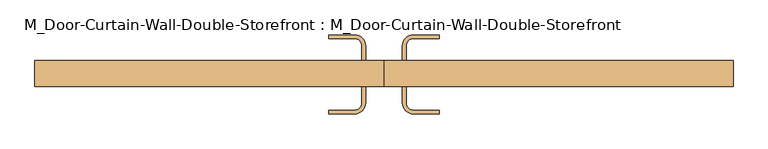
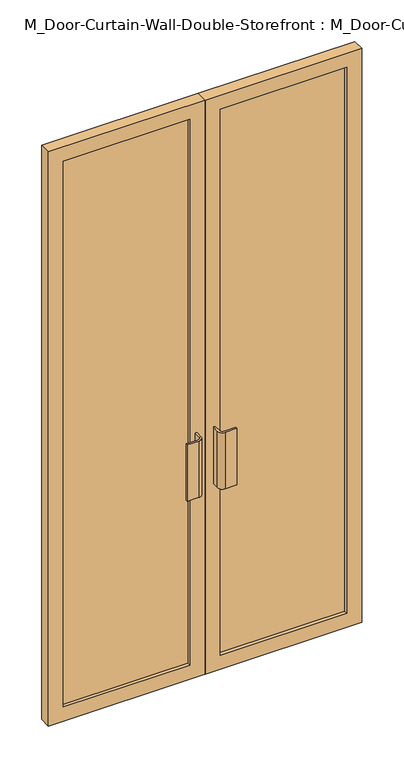
"""IFC4 building model written with IfcOpenShell, lengths in millimetres: door geometry, M_Door-Curtain-Wall-Double-Storefront : M_Door-Curtain-Wall-Double-Storefront."""

from ifc_helpers import new_model, si_unit, point, frame, frame_2d, origin, place, context, project, spatial, polyline, circle_curve, trimmed, segment, composite_curve, outline, extrude, source, transform, mapped, element, save


def m_door_curtain_wall_double_storefront_m_door_curtain_wall_34c1f5e0(model_context):
    return source(origin(), model_context, "Body", "SweptSolid", [
        extrude(outline(polyline([(2325.0, 0.8168501), (0.0, 0.8168501), (0.0, 599.9999999), (2325.0, 599.9999999), (2325.0, 0.8168501)]), holes=[polyline([(2267.85, 57.9668501), (2267.85, 542.8499999), (57.15, 542.8499999), (57.15, 57.9668501), (2267.85, 57.9668501)])]), frame((0.0, 15.55, 0.0), z_axis=(0.0, 1.0, 0.0), x_axis=(0.0, 0.0, 1.0)), (0.0, 0.0, 1.0), 44.45),
        extrude(outline(polyline([(2325.0, -0.7706499), (2325.0, -599.9999999), (0.0, -599.9999999), (0.0, -0.7706499), (2325.0, -0.7706499)]), holes=[polyline([(2267.85, -542.8499999), (2267.85, -57.9206499), (57.15, -57.9206499), (57.15, -542.8499999), (2267.85, -542.8499999)])]), frame((0.0, 15.55, 0.0), z_axis=(0.0, 1.0, 0.0), x_axis=(0.0, 0.0, 1.0)), (0.0, 0.0, 1.0), 44.45),
        extrude(outline(polyline([(542.8499999, 28.25), (57.9668501, 28.25), (57.9668501, 47.3), (542.8499999, 47.3), (542.8499999, 28.25)])), frame((0.0, 0.0, 57.15), z_axis=(0.0, 0.0, 1.0), x_axis=(1.0, 0.0, 0.0)), (0.0, 0.0, 1.0), 2210.7),
        extrude(outline(polyline([(-57.9206499, 28.25), (-542.8499999, 28.25), (-542.8499999, 47.3), (-57.9206499, 47.3), (-57.9206499, 28.25)])), frame((0.0, 0.0, 57.15), z_axis=(0.0, 0.0, 1.0), x_axis=(1.0, 0.0, 0.0)), (0.0, 0.0, 1.0), 2210.7),
        extrude(outline(composite_curve([segment(trimmed(circle_curve(frame_2d((-50.7768999, -12.7)), 19.05), [point((-31.7268999, -12.7))], [point((-50.7768999, -31.75))], False, "CARTESIAN"), True, "CONTINUOUS"), segment(polyline([(-50.7768999, -31.75), (-95.2268999, -31.75), (-95.2268999, -25.4), (-50.7768999, -25.4)]), True, "CONTINUOUS"), segment(trimmed(circle_curve(frame_2d((-50.7768999, -12.7)), 12.7), [point((-50.7768999, -25.4))], [point((-38.0768999, -12.7))], True, "CARTESIAN"), True, "CONTINUOUS"), segment(polyline([(-38.0768999, -12.7), (-38.0768999, 15.55), (-31.7268999, 15.55), (-31.7268999, -12.7)]), True, "CONTINUOUS")], self_intersect=False)), frame((0.0, 0.0, 762.0), z_axis=(0.0, 0.0, 1.0), x_axis=(1.0, 0.0, 0.0)), (0.0, 0.0, 1.0), 228.6),
        extrude(outline(composite_curve([segment(polyline([(31.7731001, -12.7), (31.7731001, 15.55), (38.1231001, 15.55), (38.1231001, -12.7)]), True, "CONTINUOUS"), segment(trimmed(circle_curve(frame_2d((50.8231001, -12.7)), 12.7), [point((38.1231001, -12.7))], [point((50.8231001, -25.4))], True, "CARTESIAN"), True, "CONTINUOUS"), segment(polyline([(50.8231001, -25.4), (95.2731001, -25.4), (95.2731001, -31.75), (50.8231001, -31.75)]), True, "CONTINUOUS"), segment(trimmed(circle_curve(frame_2d((50.8231001, -12.7)), 19.05), [point((50.8231001, -31.75))], [point((31.7731001, -12.7))], False, "CARTESIAN"), True, "CONTINUOUS")], self_intersect=False)), frame((0.0, 0.0, 762.0), z_axis=(0.0, 0.0, 1.0), x_axis=(1.0, 0.0, 0.0)), (0.0, 0.0, 1.0), 228.6),
        extrude(outline(composite_curve([segment(polyline([(-31.7268999, 85.4), (-31.7268999, 60.0), (-38.0768999, 60.0), (-38.0768999, 85.4)]), True, "CONTINUOUS"), segment(trimmed(circle_curve(frame_2d((-50.7768999, 85.4)), 12.7), [point((-38.0768999, 85.4))], [point((-50.7768999, 98.1))], True, "CARTESIAN"), True, "CONTINUOUS"), segment(polyline([(-50.7768999, 98.1), (-95.2268999, 98.1), (-95.2268999, 104.45), (-50.7768999, 104.45)]), True, "CONTINUOUS"), segment(trimmed(circle_curve(frame_2d((-50.7768999, 85.4)), 19.05), [point((-50.7768999, 104.45))], [point((-31.7268999, 85.4))], False, "CARTESIAN"), True, "CONTINUOUS")], self_intersect=False)), frame((0.0, 0.0, 762.0), z_axis=(0.0, 0.0, 1.0), x_axis=(1.0, 0.0, 0.0)), (0.0, 0.0, 1.0), 228.6),
        extrude(outline(composite_curve([segment(trimmed(circle_curve(frame_2d((50.8231001, 85.4)), 19.05), [point((31.7731001, 85.4))], [point((50.8231001, 104.45))], False, "CARTESIAN"), True, "CONTINUOUS"), segment(polyline([(50.8231001, 104.45), (95.2731001, 104.45), (95.2731001, 98.1), (50.8231001, 98.1)]), True, "CONTINUOUS"), segment(trimmed(circle_curve(frame_2d((50.8231001, 85.4)), 12.7), [point((50.8231001, 98.1))], [point((38.1231001, 85.4))], True, "CARTESIAN"), True, "CONTINUOUS"), segment(polyline([(38.1231001, 85.4), (38.1231001, 60.0), (31.7731001, 60.0), (31.7731001, 85.4)]), True, "CONTINUOUS")], self_intersect=False)), frame((0.0, 0.0, 762.0), z_axis=(0.0, 0.0, 1.0), x_axis=(1.0, 0.0, 0.0)), (0.0, 0.0, 1.0), 228.6),
    ])


if __name__ == "__main__":
    model = new_model("IFC4")
    model_context = context("Model", 3, world=origin())
    ifc_project = project(units=[si_unit("LENGTHUNIT", "METRE", prefix="MILLI")], contexts=[model_context])
    site = spatial("IfcSite", under=ifc_project)
    building = spatial("IfcBuilding", under=site)
    placement = place(None, origin())
    m_door_curtain_wall_double_storefront_m_door_curtain_wall_shape = m_door_curtain_wall_double_storefront_m_door_curtain_wall_34c1f5e0(model_context)
    element("IfcDoor", 1, ObjectType="M_Door-Curtain-Wall-Double-Storefront : M_Door-Curtain-Wall-Double-Storefront", at=placement, inside=building, context=model_context, shape_type="MappedRepresentation", body=[
        mapped(m_door_curtain_wall_double_storefront_m_door_curtain_wall_shape, transform((0.0, 0.0, 0.0), x_axis=(1.0, 0.0, 0.0), y_axis=(0.0, 1.0, 0.0), z_axis=(0.0, 0.0, 1.0))),
    ])
    save(model, "model.ifc")
